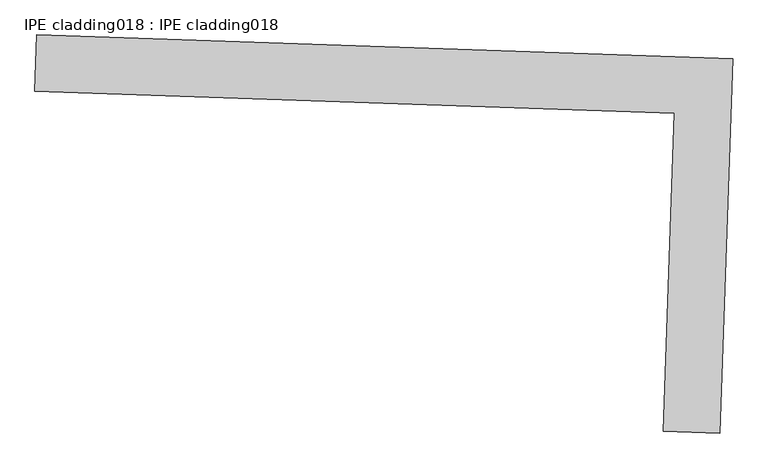
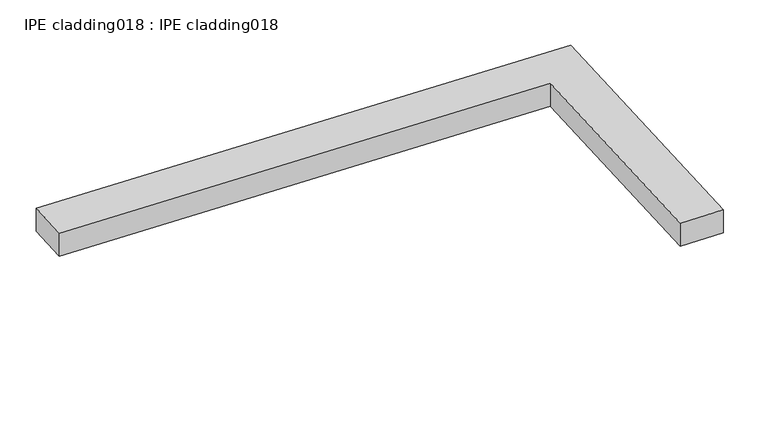
"""IFC4 building model written with IfcOpenShell, lengths in millimetres: proxy geometry, IPE cladding018 : IPE cladding018."""

from ifc_helpers import new_model, si_unit, frame, origin, place, context, project, spatial, polyline, outline, extrude, source, transform, mapped, element, save


def ipe_cladding018_ipe_cladding018_503dfe64(model_context):
    return source(origin(), model_context, "Body", "SweptSolid", [
        extrude(outline(polyline([(17306.5036741, -14579.7359031), (17309.544211, -14490.8879142), (18404.9713726, -14528.3753868), (18384.8189494, -15117.2524253), (18295.9709603, -15114.2118887), (18313.082847, -14614.1828388), (17306.5036741, -14579.7359031)])), frame((0.0, 0.0, 2055.175707), z_axis=(0.0, 0.0, 1.0), x_axis=(1.0, 0.0, 0.0)), (0.0, 0.0, 1.0), 50.8),
    ])


if __name__ == "__main__":
    model = new_model("IFC4")
    model_context = context("Model", 3, world=origin())
    ifc_project = project(units=[si_unit("LENGTHUNIT", "METRE", prefix="MILLI")], contexts=[model_context])
    site = spatial("IfcSite", under=ifc_project)
    building = spatial("IfcBuilding", under=site)
    placement = place(None, origin())
    ipe_cladding018_ipe_cladding018_shape = ipe_cladding018_ipe_cladding018_503dfe64(model_context)
    element("IfcBuildingElementProxy", 1, Name="IPE cladding018 : IPE cladding018", ObjectType="IPE cladding018 : IPE cladding018", at=placement, inside=building, context=model_context, shape_type="MappedRepresentation", body=[
        mapped(ipe_cladding018_ipe_cladding018_shape, transform((0.0, 0.0, 0.0), x_axis=(1.0, 0.0, 0.0), y_axis=(0.0, 1.0, 0.0), z_axis=(0.0, 0.0, 1.0))),
    ])
    save(model, "model.ifc")
